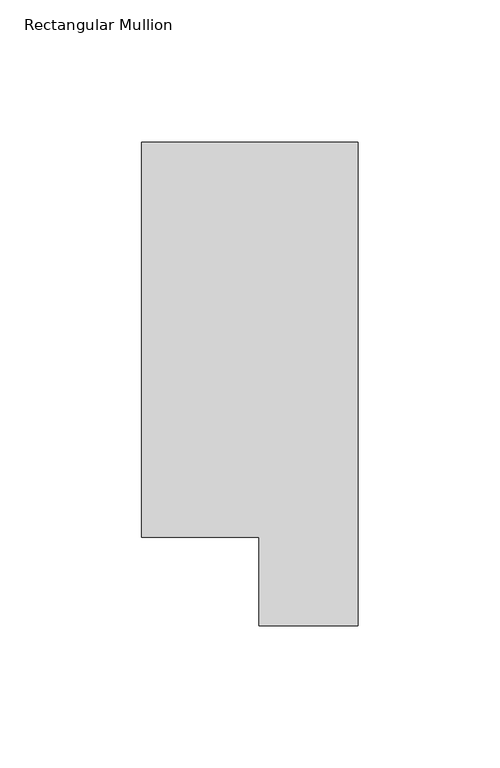
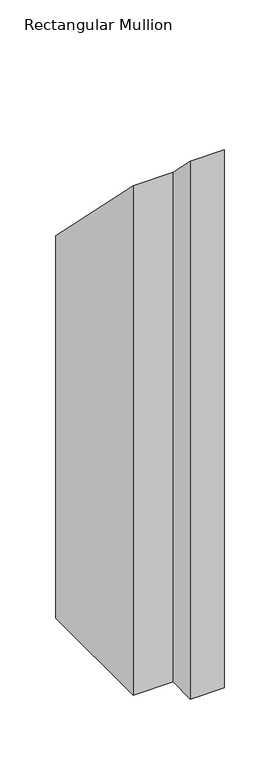
"""IFC4 building model written with IfcOpenShell, lengths in millimetres: member geometry, Rectangular Mullion."""

from ifc_helpers import new_model, si_unit, origin, place, context, project, spatial, faceted_brep, source, transform, mapped, element, save


def rectangular_mullion_45e20101(model_context):
    return source(origin(), model_context, "Body", "Brep", [
        faceted_brep([(-76.2, 190.0007313, -609.3118687), (0.0, 190.0007313, -609.3118687), (0.0, 19.5667313, -609.3118687), (-34.9123, 19.5667313, -609.3118687), (-34.9123, 50.820278, -609.3118687), (-76.2, 50.820278, -609.3118687), (-76.2, 50.820278, -50.820278), (-76.2, 190.0007313, -190.0007312), (-34.9123, 50.820278, -50.820278), (-34.9123, 19.5667313, -19.5667313), (0.0, 19.5667313, -19.5667313), (0.0, 190.0007313, -190.0007312)], [[[0, 1, 2, 3, 4, 5]], [[6, 7, 0, 5]], [[8, 6, 5, 4]], [[9, 8, 4, 3]], [[10, 9, 3, 2]], [[11, 10, 2, 1]], [[7, 11, 1, 0]], [[7, 6, 8, 9, 10, 11]]]),
    ])


if __name__ == "__main__":
    model = new_model("IFC4")
    model_context = context("Model", 3, world=origin())
    ifc_project = project(units=[si_unit("LENGTHUNIT", "METRE", prefix="MILLI")], contexts=[model_context])
    site = spatial("IfcSite", under=ifc_project)
    building = spatial("IfcBuilding", under=site)
    placement = place(None, origin())
    rectangular_mullion_shape = rectangular_mullion_45e20101(model_context)
    element("IfcMember", 1, ObjectType="Rectangular Mullion", at=placement, inside=building, context=model_context, shape_type="MappedRepresentation", body=[
        mapped(rectangular_mullion_shape, transform((0.0, 0.0, 0.0), x_axis=(1.0, 0.0, 0.0), y_axis=(0.0, 1.0, 0.0), z_axis=(0.0, 0.0, 1.0))),
    ])
    save(model, "model.ifc")
